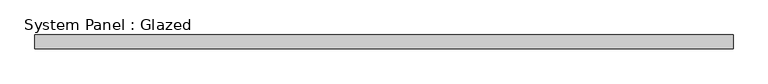
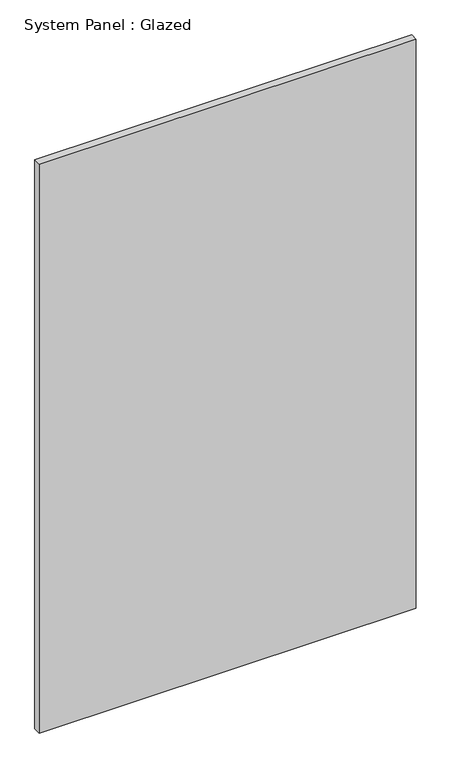
"""IFC4 building model written with IfcOpenShell, lengths in millimetres: plate geometry, System Panel : Glazed."""

from ifc_helpers import new_model, si_unit, origin, origin_with_axes, place, context, project, spatial, polyline, outline, extrude, source, transform, mapped, element, save


def system_panel_glazed_c1093ba3(model_context):
    return source(origin(), model_context, "Body", "SweptSolid", [
        extrude(outline(polyline([(649.0707079, 19.05), (-649.0707079, 19.05), (-649.0707079, 44.45), (649.0707079, 44.45), (649.0707079, 19.05)])), origin_with_axes(), (0.0, 0.0, 1.0), 2070.1),
    ])


if __name__ == "__main__":
    model = new_model("IFC4")
    model_context = context("Model", 3, world=origin())
    ifc_project = project(units=[si_unit("LENGTHUNIT", "METRE", prefix="MILLI")], contexts=[model_context])
    site = spatial("IfcSite", under=ifc_project)
    building = spatial("IfcBuilding", under=site)
    placement = place(None, origin())
    system_panel_glazed_shape = system_panel_glazed_c1093ba3(model_context)
    element("IfcPlate", 1, ObjectType="System Panel : Glazed", at=placement, inside=building, context=model_context, shape_type="MappedRepresentation", body=[
        mapped(system_panel_glazed_shape, transform((0.0, 0.0, 0.0), x_axis=(1.0, 0.0, 0.0), y_axis=(0.0, 1.0, 0.0), z_axis=(0.0, 0.0, 1.0))),
    ])
    save(model, "model.ifc")
